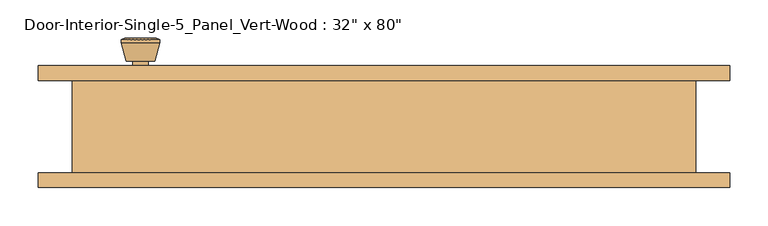
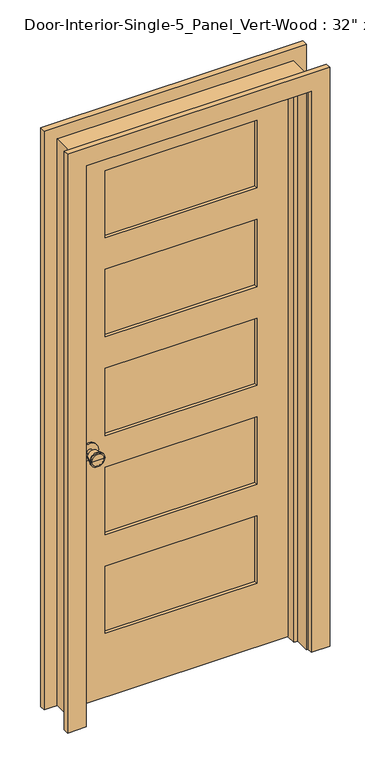
"""IFC4 building model written with IfcOpenShell, lengths in millimetres: door geometry."""

from ifc_helpers import new_model, si_unit, point, frame, frame_2d, origin, place, context, project, spatial, polyline, circle_curve, trimmed, segment, composite_curve, outline, extrude, faceted_brep, source, transform, mapped, element, save
from ifc_brep_helpers import plane_surface, cylinder_surface, revolved_surface, advanced_brep


def door_7bed87fe(model_context):
    return source(origin(), model_context, "Body", "SolidModel", [
        advanced_brep(
        [(-317.5, 16.225, 914.4), (-307.5, 16.225, 914.4), (-327.5, 16.225, 914.4), (-297.0241324, -32.775, 914.4), (-317.5, -32.775, 914.4), (-337.9758676, -32.775, 914.4), (-292.5, -30.9471319, 914.4), (-342.5, -30.9471319, 914.4), (-292.5, -27.4834537, 914.4), (-342.5, -27.4834537, 914.4), (-298.863764, -2.775, 914.4), (-336.136236, -2.775, 914.4), (-307.5, -2.775, 914.4), (-327.5, -2.775, 914.4)],
        [
            (0, 1),
            (1, 2, circle_curve(frame((-317.5, 16.225, 914.4), z_axis=(0.0, 1.0, 0.0), x_axis=(-1.0, 0.0, 0.0)), 10.0)),
            (2, 0),
            (2, 1, circle_curve(frame((-317.5, 16.225, 914.4), z_axis=(0.0, 1.0, 0.0), x_axis=(-1.0, 0.0, 0.0)), 10.0)),
            (3, 4),
            (4, 5),
            (5, 3, circle_curve(frame((-317.5, -32.775, 914.4), z_axis=(0.0, -1.0, 0.0), x_axis=(-1.0, 0.0, 0.0)), 20.4758676)),
            (3, 5, circle_curve(frame((-317.5, -32.775, 914.4), z_axis=(0.0, -1.0, 0.0), x_axis=(-1.0, 0.0, 0.0)), 20.4758676)),
            (6, 3),
            (5, 7),
            (7, 6, circle_curve(frame((-317.5, -30.9471319, 914.4), z_axis=(0.0, -1.0, 0.0), x_axis=(-1.0, 0.0, 0.0)), 25.0)),
            (6, 7, circle_curve(frame((-317.5, -30.9471319, 914.4), z_axis=(0.0, -1.0, 0.0), x_axis=(-1.0, 0.0, 0.0)), 25.0)),
            (8, 6),
            (7, 9),
            (9, 8, circle_curve(frame((-317.5, -27.4834537, 914.4), z_axis=(0.0, -1.0, 0.0), x_axis=(-1.0, 0.0, 0.0)), 25.0)),
            (8, 9, circle_curve(frame((-317.5, -27.4834537, 914.4), z_axis=(0.0, -1.0, 0.0), x_axis=(-1.0, 0.0, 0.0)), 25.0)),
            (10, 8),
            (9, 11),
            (11, 10, circle_curve(frame((-317.5, -2.775, 914.4), z_axis=(0.0, -1.0, 0.0), x_axis=(-1.0, 0.0, 0.0)), 18.636236)),
            (10, 11, circle_curve(frame((-317.5, -2.775, 914.4), z_axis=(0.0, -1.0, 0.0), x_axis=(-1.0, 0.0, 0.0)), 18.636236)),
            (12, 10),
            (11, 13),
            (13, 12, circle_curve(frame((-317.5, -2.775, 914.4), z_axis=(0.0, -1.0, 0.0), x_axis=(-1.0, 0.0, 0.0)), 10.0)),
            (12, 13, circle_curve(frame((-317.5, -2.775, 914.4), z_axis=(0.0, -1.0, 0.0), x_axis=(-1.0, 0.0, 0.0)), 10.0)),
            (1, 12),
            (13, 2),
        ],
        [
            plane_surface(frame((-317.5, 16.225, 914.4), z_axis=(0.0, 1.0, 0.0), x_axis=(-1.0, 0.0, 0.0))),
            plane_surface(frame((-317.5, -32.775, 914.4), z_axis=(0.0, -1.0, 0.0), x_axis=(-1.0, 0.0, 0.0))),
            revolved_surface(polyline([(-337.9758676, -32.775, 914.4), (-342.5, -30.9471319, 914.4)]), (-317.5, 16.225, 914.4), (0.0, 1.0, 0.0)),
            cylinder_surface(frame((-317.5, 16.225, 914.4), z_axis=(0.0, 1.0, 0.0), x_axis=(-1.0, 0.0, 0.0)), 25.0),
            revolved_surface(polyline([(-342.5, -27.4834537, 914.4), (-336.136236, -2.775, 914.4)]), (-317.5, 16.225, 914.4), (0.0, 1.0, 0.0)),
            plane_surface(frame((-317.5, -2.775, 914.4), z_axis=(0.0, 1.0, 0.0), x_axis=(-1.0, 0.0, 0.0))),
            cylinder_surface(frame((-317.5, 16.225, 914.4), z_axis=(0.0, 1.0, 0.0), x_axis=(-1.0, 0.0, 0.0)), 10.0),
        ],
        [
            (0, [[1, 2, 3]]),
            (0, [[-3, 4, -1]]),
            (1, [[5, 6, 7]]),
            (1, [[-6, -5, 8]]),
            (2, [[9, -7, 10, 11]]),
            (2, [[-10, -8, -9, 12]]),
            (3, [[13, -11, 14, 15]]),
            (3, [[-14, -12, -13, 16]]),
            (4, [[17, -15, 18, 19]]),
            (4, [[-18, -16, -17, 20]]),
            (5, [[21, -19, 22, 23]]),
            (5, [[-22, -20, -21, 24]]),
            (6, [[25, -23, 26, -2]]),
            (6, [[-26, -24, -25, -4]]),
        ],
    ),
        extrude(outline(composite_curve([segment(trimmed(circle_curve(frame_2d((914.4, -317.5)), 30.0), [point((914.4, -347.5))], [point((914.4, -287.5))], False, "CARTESIAN"), True, "CONTINUOUS"), segment(trimmed(circle_curve(frame_2d((914.4, -317.5)), 30.0), [point((914.4, -287.5))], [point((914.4, -347.5))], False, "CARTESIAN"), True, "CONTINUOUS")], self_intersect=False)), frame((0.0, 16.225, 0.0), z_axis=(0.0, 1.0, 0.0), x_axis=(0.0, 0.0, 1.0)), (0.0, 0.0, 1.0), 6.0),
        advanced_brep(
        [(-317.5, 63.15, 914.4), (-327.5, 63.15, 914.4), (-307.5, 63.15, 914.4), (-297.0241324, 112.15, 914.4), (-337.9758676, 112.15, 914.4), (-317.5, 112.15, 914.4), (-292.5, 110.3221319, 914.4), (-342.5, 110.3221319, 914.4), (-292.5, 106.8584537, 914.4), (-342.5, 106.8584537, 914.4), (-298.863764, 82.15, 914.4), (-336.136236, 82.15, 914.4), (-307.5, 82.15, 914.4), (-327.5, 82.15, 914.4)],
        [
            (0, 1),
            (1, 2, circle_curve(frame((-317.5, 63.15, 914.4), z_axis=(0.0, -1.0, 0.0), x_axis=(-1.0, 0.0, 0.0)), 10.0)),
            (2, 0),
            (2, 1, circle_curve(frame((-317.5, 63.15, 914.4), z_axis=(0.0, -1.0, 0.0), x_axis=(-1.0, 0.0, 0.0)), 10.0)),
            (3, 4, circle_curve(frame((-317.5, 112.15, 914.4), z_axis=(0.0, 1.0, 0.0), x_axis=(-1.0, 0.0, 0.0)), 20.4758676)),
            (4, 5),
            (5, 3),
            (4, 3, circle_curve(frame((-317.5, 112.15, 914.4), z_axis=(0.0, 1.0, 0.0), x_axis=(-1.0, 0.0, 0.0)), 20.4758676)),
            (6, 7, circle_curve(frame((-317.5, 110.3221319, 914.4), z_axis=(0.0, 1.0, 0.0), x_axis=(-1.0, 0.0, 0.0)), 25.0)),
            (7, 4),
            (3, 6),
            (7, 6, circle_curve(frame((-317.5, 110.3221319, 914.4), z_axis=(0.0, 1.0, 0.0), x_axis=(-1.0, 0.0, 0.0)), 25.0)),
            (8, 9, circle_curve(frame((-317.5, 106.8584537, 914.4), z_axis=(0.0, 1.0, 0.0), x_axis=(-1.0, 0.0, 0.0)), 25.0)),
            (9, 7),
            (6, 8),
            (9, 8, circle_curve(frame((-317.5, 106.8584537, 914.4), z_axis=(0.0, 1.0, 0.0), x_axis=(-1.0, 0.0, 0.0)), 25.0)),
            (10, 11, circle_curve(frame((-317.5, 82.15, 914.4), z_axis=(0.0, 1.0, 0.0), x_axis=(-1.0, 0.0, 0.0)), 18.636236)),
            (11, 9),
            (8, 10),
            (11, 10, circle_curve(frame((-317.5, 82.15, 914.4), z_axis=(0.0, 1.0, 0.0), x_axis=(-1.0, 0.0, 0.0)), 18.636236)),
            (12, 13, circle_curve(frame((-317.5, 82.15, 914.4), z_axis=(0.0, 1.0, 0.0), x_axis=(-1.0, 0.0, 0.0)), 10.0)),
            (13, 11),
            (10, 12),
            (13, 12, circle_curve(frame((-317.5, 82.15, 914.4), z_axis=(0.0, 1.0, 0.0), x_axis=(-1.0, 0.0, 0.0)), 10.0)),
            (1, 13),
            (12, 2),
        ],
        [
            plane_surface(frame((-317.5, 63.15, 914.4), z_axis=(0.0, -1.0, 0.0), x_axis=(-1.0, 0.0, 0.0))),
            plane_surface(frame((-317.5, 112.15, 914.4), z_axis=(0.0, 1.0, 0.0), x_axis=(-1.0, 0.0, 0.0))),
            revolved_surface(polyline([(-337.9758676, 112.15, 914.4), (-342.5, 110.3221319, 914.4)]), (-317.5, 63.15, 914.4), (0.0, -1.0, 0.0)),
            cylinder_surface(frame((-317.5, 63.15, 914.4), z_axis=(0.0, -1.0, 0.0), x_axis=(-1.0, 0.0, 0.0)), 25.0),
            revolved_surface(polyline([(-342.5, 106.8584537, 914.4), (-336.136236, 82.15, 914.4)]), (-317.5, 63.15, 914.4), (0.0, -1.0, 0.0)),
            plane_surface(frame((-317.5, 82.15, 914.4), z_axis=(0.0, -1.0, 0.0), x_axis=(-1.0, 0.0, 0.0))),
            cylinder_surface(frame((-317.5, 63.15, 914.4), z_axis=(0.0, -1.0, 0.0), x_axis=(-1.0, 0.0, 0.0)), 10.0),
        ],
        [
            (0, [[1, 2, 3]]),
            (0, [[-3, 4, -1]]),
            (1, [[5, 6, 7]]),
            (1, [[8, -7, -6]]),
            (2, [[9, 10, -5, 11]]),
            (2, [[12, -11, -8, -10]]),
            (3, [[13, 14, -9, 15]]),
            (3, [[16, -15, -12, -14]]),
            (4, [[17, 18, -13, 19]]),
            (4, [[20, -19, -16, -18]]),
            (5, [[21, 22, -17, 23]]),
            (5, [[24, -23, -20, -22]]),
            (6, [[-2, 25, -21, 26]]),
            (6, [[-4, -26, -24, -25]]),
        ],
    ),
        extrude(outline(composite_curve([segment(trimmed(circle_curve(frame_2d((914.4, -317.5)), 30.0), [point((914.4, -347.5))], [point((914.4, -287.5))], False, "CARTESIAN"), True, "CONTINUOUS"), segment(trimmed(circle_curve(frame_2d((914.4, -317.5)), 30.0), [point((914.4, -287.5))], [point((914.4, -347.5))], False, "CARTESIAN"), True, "CONTINUOUS")], self_intersect=False)), frame((0.0, 57.15, 0.0), z_axis=(0.0, 1.0, 0.0), x_axis=(0.0, 0.0, 1.0)), (0.0, 0.0, 1.0), 6.0),
        extrude(outline(polyline([(260.35, 33.8666667), (-260.35, 33.8666667), (-260.35, 45.5083333), (260.35, 45.5083333), (260.35, 33.8666667)])), frame((0.0, 0.0, 1668.145), z_axis=(0.0, 0.0, 1.0), x_axis=(1.0, 0.0, 0.0)), (0.0, 0.0, 1.0), 244.7925),
        extrude(outline(polyline([(260.35, 33.8666667), (-260.35, 33.8666667), (-260.35, 45.5083333), (260.35, 45.5083333), (260.35, 33.8666667)])), frame((0.0, 0.0, 1309.0525), z_axis=(0.0, 0.0, 1.0), x_axis=(1.0, 0.0, 0.0)), (0.0, 0.0, 1.0), 244.7925),
        extrude(outline(polyline([(260.35, 33.8666667), (-260.35, 33.8666667), (-260.35, 45.5083333), (260.35, 45.5083333), (260.35, 33.8666667)])), frame((0.0, 0.0, 590.8675), z_axis=(0.0, 0.0, 1.0), x_axis=(1.0, 0.0, 0.0)), (0.0, 0.0, 1.0), 244.7925),
        extrude(outline(polyline([(260.35, 33.8666667), (-260.35, 33.8666667), (-260.35, 45.5083333), (260.35, 45.5083333), (260.35, 33.8666667)])), frame((0.0, 0.0, 231.775), z_axis=(0.0, 0.0, 1.0), x_axis=(1.0, 0.0, 0.0)), (0.0, 0.0, 1.0), 244.7925),
        extrude(outline(polyline([(260.35, 33.8666667), (-260.35, 33.8666667), (-260.35, 45.5083333), (260.35, 45.5083333), (260.35, 33.8666667)])), frame((0.0, 0.0, 949.96), z_axis=(0.0, 0.0, 1.0), x_axis=(1.0, 0.0, 0.0)), (0.0, 0.0, 1.0), 244.7925),
        extrude(outline(polyline([(2032.0, -381.0), (0.0, -381.0), (0.0, 381.0), (2032.0, 381.0), (2032.0, -381.0)]), holes=[polyline([(1912.9375, -260.35), (1912.9375, 260.35), (1668.145, 260.35), (1668.145, -260.35), (1912.9375, -260.35)]), polyline([(476.5675, -260.35), (476.5675, 260.35), (231.775, 260.35), (231.775, -260.35), (476.5675, -260.35)]), polyline([(1194.7525, -260.35), (1194.7525, 260.35), (949.96, 260.35), (949.96, -260.35), (1194.7525, -260.35)]), polyline([(1553.845, -260.35), (1553.845, 260.35), (1309.0525, 260.35), (1309.0525, -260.35), (1553.845, -260.35)]), polyline([(835.66, -260.35), (835.66, 260.35), (590.8675, 260.35), (590.8675, -260.35), (835.66, -260.35)])]), frame((0.0, 22.225, 0.0), z_axis=(0.0, 1.0, 0.0), x_axis=(0.0, 0.0, 1.0)), (0.0, 0.0, 1.0), 34.925),
        faceted_brep([(406.4, 57.15, 0.0), (406.4, -63.5, 0.0), (381.0, -63.5, 0.0), (381.0, -12.7, 0.0), (368.3, -12.7, 0.0), (368.3, 22.225, 0.0), (381.0, 22.225, 0.0), (381.0, 57.15, 0.0), (406.4, 57.15, 2057.4), (406.4, -63.5, 2057.4), (-406.4, -63.5, 2057.4), (-406.4, -63.5, 0.0), (-381.0, -63.5, 0.0), (-381.0, -63.5, 2032.0), (381.0, -63.5, 2032.0), (381.0, -12.7, 2032.0), (-381.0, -12.7, 2032.0), (-381.0, -12.7, 0.0), (-368.3, -12.7, 0.0), (-368.3, -12.7, 2019.3), (368.3, -12.7, 2019.3), (368.3, 22.225, 2019.3), (-368.3, 22.225, 2019.3), (-368.3, 22.225, 0.0), (-381.0, 22.225, 0.0), (-381.0, 22.225, 2032.0), (381.0, 22.225, 2032.0), (381.0, 57.15, 2032.0), (-381.0, 57.15, 2032.0), (-381.0, 57.15, 0.0), (-406.4, 57.15, 0.0), (-406.4, 57.15, 2057.4)], [[[0, 1, 2, 3, 4, 5, 6, 7]], [[1, 0, 8, 9]], [[2, 1, 9, 10, 11, 12, 13, 14]], [[3, 2, 14, 15]], [[4, 3, 15, 16, 17, 18, 19, 20]], [[5, 4, 20, 21]], [[6, 5, 21, 22, 23, 24, 25, 26]], [[7, 6, 26, 27]], [[0, 7, 27, 28, 29, 30, 31, 8]], [[9, 8, 31, 10]], [[15, 14, 13, 16]], [[21, 20, 19, 22]], [[27, 26, 25, 28]], [[30, 29, 24, 23, 18, 17, 12, 11]], [[10, 31, 30, 11]], [[16, 13, 12, 17]], [[22, 19, 18, 23]], [[28, 25, 24, 29]]]),
        extrude(outline(polyline([(0.0, 387.35), (0.0, 450.85), (2101.85, 450.85), (2101.85, -450.85), (0.0, -450.85), (0.0, -387.35), (2038.35, -387.35), (2038.35, 387.35), (0.0, 387.35)])), frame((0.0, -82.55, 0.0), z_axis=(0.0, 1.0, 0.0), x_axis=(0.0, 0.0, 1.0)), (0.0, 0.0, 1.0), 19.05),
        extrude(outline(polyline([(0.0, 387.35), (0.0, 450.85), (2101.85, 450.85), (2101.85, -450.85), (0.0, -450.85), (0.0, -387.35), (2038.35, -387.35), (2038.35, 387.35), (0.0, 387.35)])), frame((0.0, 57.15, 0.0), z_axis=(0.0, 1.0, 0.0), x_axis=(0.0, 0.0, 1.0)), (0.0, 0.0, 1.0), 19.05),
    ])


if __name__ == "__main__":
    model = new_model("IFC4")
    model_context = context("Model", 3, world=origin())
    ifc_project = project(units=[si_unit("LENGTHUNIT", "METRE", prefix="MILLI")], contexts=[model_context])
    site = spatial("IfcSite", under=ifc_project)
    building = spatial("IfcBuilding", under=site)
    placement = place(None, origin())
    door_shape = door_7bed87fe(model_context)
    element("IfcDoor", 1, ObjectType="Door-Interior-Single-5_Panel_Vert-Wood : 32\" x 80\"", at=placement, inside=building, context=model_context, shape_type="MappedRepresentation", body=[
        mapped(door_shape, transform((0.0, 0.0, 0.0), x_axis=(1.0, 0.0, 0.0), y_axis=(0.0, 1.0, 0.0), z_axis=(0.0, 0.0, 1.0))),
    ])
    save(model, "model.ifc")
